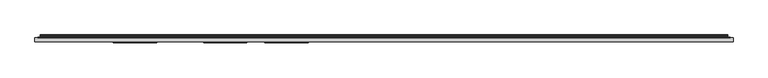
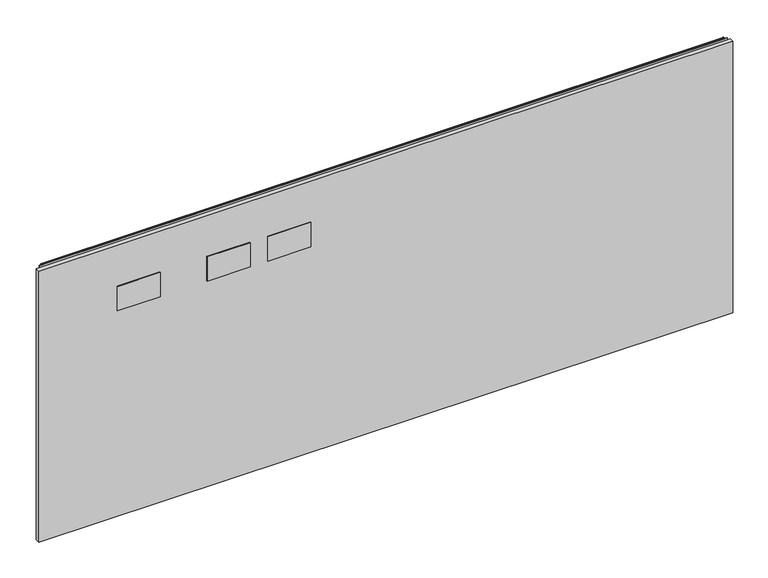
"""IFC4 building model written with IfcOpenShell, lengths in millimetres: furniture geometry."""

from ifc_helpers import new_model, si_unit, point, frame, frame_2d, origin, place, context, project, spatial, polyline, circle_curve, trimmed, segment, composite_curve, outline, extrude, source, transform, mapped, element, save


def furniture_6fc06c6b(model_context):
    return source(origin(), model_context, "Body", "SweptSolid", [
        extrude(outline(polyline([(1.778, 1.45288), (1.778, 10.9778796), (1522.2219835, 10.9778796), (1522.2219835, 1.45288), (1.778, 1.45288)])), frame((0.0, 0.0, 103.1748), z_axis=(0.0, 0.0, 1.0), x_axis=(1.0, 0.0, 0.0)), (0.0, 0.0, 1.0), 628.5991897),
        extrude(outline(polyline([(266.572991, -0.57912), (172.3390082, -0.57912), (172.3390082, 1.45288), (266.572991, 1.45288), (266.572991, -0.57912)])), frame((0.0, 0.0, 581.126608), z_axis=(0.0, 0.0, 1.0), x_axis=(1.0, 0.0, 0.0)), (0.0, 0.0, 1.0), 56.6420005),
        extrude(outline(polyline([(463.422985, -0.57912), (369.188984, -0.57912), (369.188984, 1.45288), (463.422985, 1.45288), (463.422985, -0.57912)])), frame((0.0, 0.0, 581.126608), z_axis=(0.0, 0.0, 1.0), x_axis=(1.0, 0.0, 0.0)), (0.0, 0.0, 1.0), 56.6420005),
        extrude(outline(polyline([(596.772985, -0.57912), (502.538984, -0.57912), (502.538984, 1.45288), (596.772985, 1.45288), (596.772985, -0.57912)])), frame((0.0, 0.0, 581.126608), z_axis=(0.0, 0.0, 1.0), x_axis=(1.0, 0.0, 0.0)), (0.0, 0.0, 1.0), 56.6420005),
        extrude(outline(composite_curve([segment(polyline([(10.9778796, 736.2000051), (10.9778796, 737.142493)]), True, "CONTINUOUS"), segment(trimmed(circle_curve(frame_2d((11.6164846, 737.142493)), 0.638605), [point((10.9778796, 737.142493))], [point((11.6164846, 737.781098))], False, "CARTESIAN"), True, "CONTINUOUS"), segment(polyline([(11.6164846, 737.781098), (13.251317, 737.781098)]), True, "CONTINUOUS"), segment(trimmed(circle_curve(frame_2d((13.251317, 735.407778)), 2.37332), [point((13.251317, 737.781098))], [point((15.6071079, 735.1198601))], False, "CARTESIAN"), True, "CONTINUOUS"), segment(polyline([(15.6071079, 735.1198601), (15.2080413, 731.8546313)]), True, "CONTINUOUS"), segment(trimmed(circle_curve(frame_2d((17.5068753, 731.5736746)), 2.3159393), [point((15.2080413, 731.8546313))], [point((15.5012134, 730.4157044))], True, "CARTESIAN"), True, "CONTINUOUS"), segment(polyline([(15.5012134, 730.4157044), (16.6600675, 728.4085113), (15.9781592, 728.0148112), (14.819305, 730.0220043)]), True, "CONTINUOUS"), segment(trimmed(circle_curve(frame_2d((17.5068753, 731.5736746)), 3.1033393), [point((14.819305, 730.0220043))], [point((14.4264569, 731.9501543))], False, "CARTESIAN"), True, "CONTINUOUS"), segment(polyline([(14.4264569, 731.9501543), (14.8255236, 735.2153831)]), True, "CONTINUOUS"), segment(trimmed(circle_curve(frame_2d((13.251317, 735.407778)), 1.58592), [point((14.8255236, 735.2153831))], [point((13.251317, 736.993698))], True, "CARTESIAN"), True, "CONTINUOUS"), segment(polyline([(13.251317, 736.993698), (11.7652796, 736.993698), (11.7652796, 736.2000051), (10.9778796, 736.2000051)]), True, "CONTINUOUS")], self_intersect=False)), frame((13.7160002, 0.0, 0.0), z_axis=(1.0, 0.0, 0.0), x_axis=(0.0, 1.0, 0.0)), (0.0, 0.0, 1.0), 1496.5680076),
        extrude(outline(polyline([(8.1280002, 10.9778796), (8.1280002, 11.7652796), (1515.8720078, 11.7652796), (1515.8720078, 10.9778796), (8.1280002, 10.9778796)])), frame((0.0, 0.0, 705.9168108), z_axis=(0.0, 0.0, 1.0), x_axis=(1.0, 0.0, 0.0)), (0.0, 0.0, 1.0), 30.8009179),
    ])


if __name__ == "__main__":
    model = new_model("IFC4")
    model_context = context("Model", 3, world=origin())
    ifc_project = project(units=[si_unit("LENGTHUNIT", "METRE", prefix="MILLI")], contexts=[model_context])
    site = spatial("IfcSite", under=ifc_project)
    building = spatial("IfcBuilding", under=site)
    placement = place(None, origin())
    furniture_shape = furniture_6fc06c6b(model_context)
    element("IfcFurniture", 1, at=placement, inside=building, context=model_context, shape_type="MappedRepresentation", body=[
        mapped(furniture_shape, transform((0.0, 0.0, 0.0), x_axis=(1.0, 0.0, 0.0), y_axis=(0.0, 1.0, 0.0), z_axis=(0.0, 0.0, 1.0))),
    ])
    save(model, "model.ifc")
